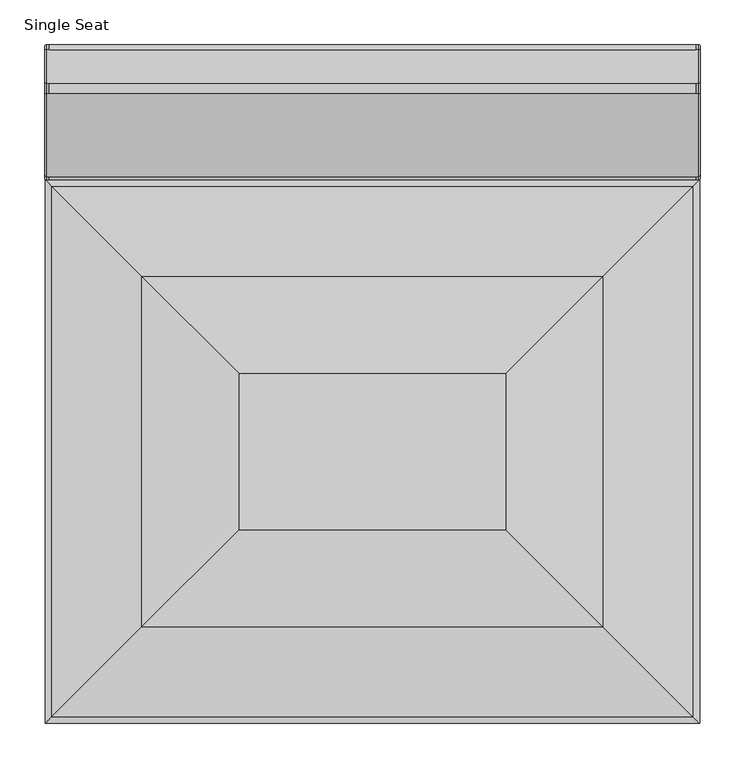
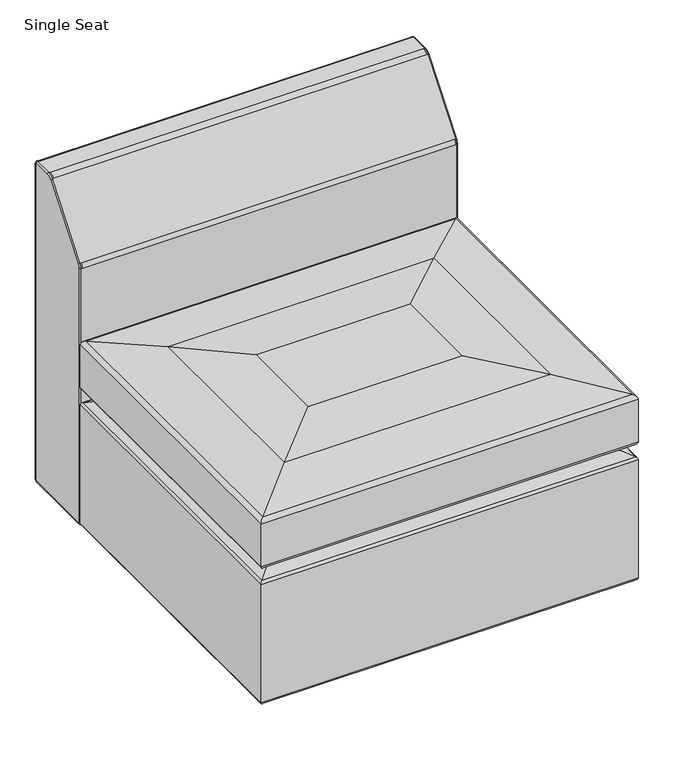
"""IFC4 building model written with IfcOpenShell, lengths in millimetres: furniture geometry, Single Seat."""

from ifc_helpers import new_model, si_unit, point, frame, frame_2d, origin, place, context, project, spatial, circle_curve, ellipse_curve, trimmed, segment, composite_curve, outline, extrude, source, transform, mapped, element, save
from ifc_brep_helpers import plane_surface, cylinder_surface, revolved_surface, advanced_brep


def single_seat_0da1986b(model_context):
    return source(origin(), model_context, "Body", "SolidModel", [
        advanced_brep(
        [(626.8428669, -260.4240205, 453.4131645), (518.431279, -368.8356084, 464.0850014), (518.431279, -545.1224877, 464.0850014), (626.8428669, -653.5340756, 453.4131645), (727.8721138, -754.5633225, 438.3557235), (727.8721138, -159.3947737, 438.3557235), (735.2840858, -151.9828016, 342.2649823), (735.2840858, -151.9828016, 429.5618501), (735.2840858, -761.9752945, 429.5618501), (735.2840858, -761.9752945, 342.2649823), (676.3439698, -210.9229177, 323.8500013), (731.7019827, -155.5649047, 336.5499805), (731.7019827, -758.3931914, 336.5499805), (676.3439698, -703.0351785, 323.8500013), (731.9658273, -758.657036, 311.0218576), (731.9658273, -155.3010601, 311.0218576), (735.2840858, -151.9828016, 62.3613819), (735.2840858, -151.9828016, 305.7141908), (735.2840858, -761.9752945, 305.7141908), (735.2840858, -761.9752945, 62.3613819), (217.7927123, -545.1224877, 464.0850014), (109.3811244, -653.5340756, 453.4131645), (8.3518775, -754.5633225, 438.3557235), (0.9399055, -761.9752945, 429.5618501), (0.9399055, -761.9752945, 342.2649823), (4.5220086, -758.3931914, 336.5499805), (59.8800215, -703.0351785, 323.8500013), (4.258164, -758.657036, 311.0218576), (0.9399055, -761.9752945, 305.7141908), (0.9399055, -761.9752945, 62.3613819), (217.7927123, -368.8356084, 464.0850014), (109.3811244, -260.4240205, 453.4131645), (8.3518775, -159.3947737, 438.3557235), (0.9399055, -151.9828016, 429.5618501), (0.9399055, -151.9828016, 342.2649823), (4.5220086, -155.5649047, 336.5499805), (59.8800215, -210.9229177, 323.8500013), (4.258164, -155.3010601, 311.0218576), (0.9399055, -151.9828016, 305.7141908), (0.9399055, -151.9828016, 62.3613819), (730.0727039, -756.7639126, 57.15), (6.1512874, -756.7639126, 57.15), (6.1512874, -157.1941835, 57.15), (730.0727039, -157.1941835, 57.15)],
        [
            (0, 1, ellipse_curve(frame((379.6961151, -507.5707724, -1501.272968), z_axis=(0.7071067811865456, -0.7071067811865495, 0.0), x_axis=(0.7071067811865493, 0.7071067811865456, 0.0)), 2786.3522368, 1970.2485614)),
            (1, 2),
            (2, 3, ellipse_curve(frame((379.6961151, -406.3873237, -1501.272968), z_axis=(0.7071067811865492, 0.7071067811865457, 0.0), x_axis=(-0.7071067811865456, 0.7071067811865493, 0.0)), 2786.3522368, 1970.2485614)),
            (3, 0),
            (3, 4, ellipse_curve(frame((337.9858159, -364.6770246, -1831.1601411), z_axis=(0.7071067811865492, 0.7071067811865457, 0.0), x_axis=(-0.7071067811865456, 0.7071067811865493, 0.0)), 3256.5974836, 2302.7621642)),
            (4, 5),
            (5, 0, ellipse_curve(frame((337.9858159, -549.2810715, -1831.1601411), z_axis=(0.7071067811865456, -0.7071067811865495, 0.0), x_axis=(0.7071067811865493, 0.7071067811865456, 0.0)), 3256.5974836, 2302.7621642)),
            (6, 7),
            (7, 8),
            (8, 9),
            (9, 6),
            (10, 11, ellipse_curve(frame((676.3439698, -210.9229177, 450.8501726), z_axis=(0.7071067811865468, -0.7071067811865481, 0.0), x_axis=(0.707106781186548, 0.7071067811865469, 0.0)), 179.6053648, 127.0001714)),
            (11, 12),
            (12, 13, ellipse_curve(frame((676.3439698, -703.0351785, 450.8501726), z_axis=(0.7071067811865481, 0.7071067811865468, 0.0), x_axis=(-0.7071067811865467, 0.7071067811865482, 0.0)), 179.6053648, 127.0001714)),
            (13, 10),
            (13, 14, ellipse_curve(frame((676.3439698, -703.0351785, 196.8498274), z_axis=(0.7071067811865481, 0.7071067811865468, 0.0), x_axis=(-0.7071067811865467, 0.7071067811865482, 0.0)), 179.6053648, 127.0001714)),
            (14, 15),
            (15, 10, ellipse_curve(frame((676.3439698, -210.9229177, 196.8498274), z_axis=(0.7071067811865468, -0.7071067811865481, 0.0), x_axis=(0.707106781186548, 0.7071067811865469, 0.0)), 179.6053648, 127.0001714)),
            (16, 17),
            (17, 18),
            (18, 19),
            (19, 16),
            (2, 20),
            (20, 21, ellipse_curve(frame((356.5278762, -406.3873237, -1501.272968), z_axis=(0.7071067811865469, -0.707106781186548, 0.0), x_axis=(0.7071067811865481, 0.7071067811865469, 0.0)), 2786.3522368, 1970.2485614)),
            (21, 3),
            (21, 22, ellipse_curve(frame((398.2381754, -364.6770246, -1831.1601411), z_axis=(0.7071067811865469, -0.707106781186548, 0.0), x_axis=(0.7071067811865481, 0.7071067811865469, 0.0)), 3256.5974836, 2302.7621642)),
            (22, 4),
            (8, 23),
            (23, 24),
            (24, 9),
            (12, 25),
            (25, 26, ellipse_curve(frame((59.8800215, -703.0351785, 450.8501726), z_axis=(0.707106781186548, -0.7071067811865469, 0.0), x_axis=(0.707106781186547, 0.7071067811865479, 0.0)), 179.6053648, 127.0001714)),
            (26, 13),
            (26, 27, ellipse_curve(frame((59.8800215, -703.0351785, 196.8498274), z_axis=(0.707106781186548, -0.7071067811865469, 0.0), x_axis=(0.707106781186547, 0.7071067811865479, 0.0)), 179.6053648, 127.0001714)),
            (27, 14),
            (18, 28),
            (28, 29),
            (29, 19),
            (20, 30),
            (30, 31, ellipse_curve(frame((356.5278762, -507.5707724, -1501.272968), z_axis=(-0.7071067811865481, -0.7071067811865469, 0.0), x_axis=(0.7071067811865468, -0.7071067811865482, 0.0)), 2786.3522368, 1970.2485614)),
            (31, 21),
            (31, 32, ellipse_curve(frame((398.2381754, -549.2810715, -1831.1601411), z_axis=(-0.7071067811865481, -0.7071067811865469, 0.0), x_axis=(0.7071067811865468, -0.7071067811865482, 0.0)), 3256.5974836, 2302.7621642)),
            (32, 22),
            (23, 33),
            (33, 34),
            (34, 24),
            (25, 35),
            (35, 36, ellipse_curve(frame((59.8800215, -210.9229177, 450.8501726), z_axis=(-0.707106781186547, -0.7071067811865481, 0.0), x_axis=(0.7071067811865482, -0.7071067811865468, 0.0)), 179.6053648, 127.0001714)),
            (36, 26),
            (36, 37, ellipse_curve(frame((59.8800215, -210.9229177, 196.8498274), z_axis=(-0.707106781186547, -0.7071067811865481, 0.0), x_axis=(0.7071067811865482, -0.7071067811865468, 0.0)), 179.6053648, 127.0001714)),
            (37, 27),
            (28, 38),
            (38, 39),
            (39, 29),
            (0, 31),
            (30, 1),
            (5, 32),
            (6, 34),
            (33, 7),
            (10, 36),
            (35, 11),
            (15, 37),
            (16, 39),
            (38, 17),
            (40, 41),
            (41, 42),
            (42, 43),
            (43, 40),
            (4, 8, ellipse_curve(frame((726.3613904, -753.052599, 429.5618501), z_axis=(0.7071067811865492, 0.7071067811865457, 0.0), x_axis=(-0.7071067811865456, 0.7071067811865493, 0.0)), 12.6185969, 8.9226954)),
            (7, 5, ellipse_curve(frame((726.3613904, -160.9054971, 429.5618501), z_axis=(0.7071067811865456, -0.7071067811865495, 0.0), x_axis=(0.7071067811865493, 0.7071067811865456, 0.0)), 12.6185969, 8.9226954)),
            (9, 12, ellipse_curve(frame((728.9340858, -755.6252945, 342.2649823), z_axis=(0.7071067811865492, 0.7071067811865457, 0.0), x_axis=(-0.7071067811865456, 0.7071067811865493, 0.0)), 8.9802561, 6.35)),
            (11, 6, ellipse_curve(frame((728.9340858, -158.3328016, 342.2649823), z_axis=(0.7071067811865456, -0.7071067811865495, 0.0), x_axis=(0.7071067811865493, 0.7071067811865456, 0.0)), 8.9802561, 6.35)),
            (14, 18, ellipse_curve(frame((729.3800601, -756.0712688, 305.7141908), z_axis=(0.7071067811865492, 0.7071067811865457, 0.0), x_axis=(-0.7071067811865456, 0.7071067811865493, 0.0)), 8.3495532, 5.9040257)),
            (17, 15, ellipse_curve(frame((729.3800601, -157.8868273, 305.7141908), z_axis=(0.7071067811865456, -0.7071067811865495, 0.0), x_axis=(0.7071067811865493, 0.7071067811865456, 0.0)), 8.3495532, 5.9040257)),
            (19, 40, ellipse_curve(frame((730.0727039, -756.7639126, 62.3613819), z_axis=(0.7071067811865492, 0.7071067811865457, 0.0), x_axis=(-0.7071067811865456, 0.7071067811865493, 0.0)), 7.370007, 5.2113819)),
            (43, 16, ellipse_curve(frame((730.0727039, -157.1941835, 62.3613819), z_axis=(0.7071067811865456, -0.7071067811865495, 0.0), x_axis=(0.7071067811865493, 0.7071067811865456, 0.0)), 7.370007, 5.2113819)),
            (22, 23, ellipse_curve(frame((9.8626009, -753.052599, 429.5618501), z_axis=(0.7071067811865469, -0.707106781186548, 0.0), x_axis=(0.7071067811865481, 0.7071067811865469, 0.0)), 12.6185969, 8.9226954)),
            (24, 25, ellipse_curve(frame((7.2899055, -755.6252945, 342.2649823), z_axis=(0.7071067811865469, -0.707106781186548, 0.0), x_axis=(0.7071067811865481, 0.7071067811865469, 0.0)), 8.9802561, 6.35)),
            (27, 28, ellipse_curve(frame((6.8439312, -756.0712688, 305.7141908), z_axis=(0.7071067811865469, -0.707106781186548, 0.0), x_axis=(0.7071067811865481, 0.7071067811865469, 0.0)), 8.3495532, 5.9040257)),
            (29, 41, ellipse_curve(frame((6.1512874, -756.7639126, 62.3613819), z_axis=(0.7071067811865469, -0.707106781186548, 0.0), x_axis=(0.7071067811865481, 0.7071067811865469, 0.0)), 7.370007, 5.2113819)),
            (32, 33, ellipse_curve(frame((9.8626009, -160.9054971, 429.5618501), z_axis=(-0.7071067811865481, -0.7071067811865469, 0.0), x_axis=(0.7071067811865468, -0.7071067811865482, 0.0)), 12.6185969, 8.9226954)),
            (34, 35, ellipse_curve(frame((7.2899055, -158.3328016, 342.2649823), z_axis=(-0.7071067811865481, -0.7071067811865469, 0.0), x_axis=(0.7071067811865468, -0.7071067811865482, 0.0)), 8.9802561, 6.35)),
            (37, 38, ellipse_curve(frame((6.8439312, -157.8868273, 305.7141908), z_axis=(-0.7071067811865481, -0.7071067811865469, 0.0), x_axis=(0.7071067811865468, -0.7071067811865482, 0.0)), 8.3495532, 5.9040257)),
            (39, 42, ellipse_curve(frame((6.1512874, -157.1941835, 62.3613819), z_axis=(-0.7071067811865481, -0.7071067811865469, 0.0), x_axis=(0.7071067811865468, -0.7071067811865482, 0.0)), 7.370007, 5.2113819)),
        ],
        [
            cylinder_surface(frame((379.6961151, -368.8356084, -1501.272968), z_axis=(0.0, 1.0, 0.0), x_axis=(-1.0, 0.0, 0.0)), 1970.2485614),
            cylinder_surface(frame((337.9858159, -368.8356084, -1831.1601411), z_axis=(0.0, 1.0, 0.0), x_axis=(-1.0, 0.0, 0.0)), 2302.7621642),
            plane_surface(frame((735.2840858, -151.9828016, 429.5618501), z_axis=(1.0, 0.0, 0.0), x_axis=(0.0, -1.0, 0.0))),
            cylinder_surface(frame((676.3439698, -368.8356084, 450.8501726), z_axis=(0.0, 1.0, 0.0), x_axis=(-1.0, 0.0, 0.0)), 127.0001714),
            cylinder_surface(frame((676.3439698, -368.8356084, 196.8498274), z_axis=(0.0, 1.0, 0.0), x_axis=(-1.0, 0.0, 0.0)), 127.0001714),
            plane_surface(frame((735.2840858, -151.9828016, 305.7141908), z_axis=(1.0, 0.0, 0.0), x_axis=(0.0, -1.0, 0.0))),
            cylinder_surface(frame((518.431279, -406.3873237, -1501.272968), z_axis=(1.0, 0.0, 0.0), x_axis=(0.0, 1.0, 0.0)), 1970.2485614),
            cylinder_surface(frame((518.431279, -364.6770246, -1831.1601411), z_axis=(1.0, 0.0, 0.0), x_axis=(0.0, 1.0, 0.0)), 2302.7621642),
            plane_surface(frame((735.2840858, -761.9752945, 429.5618501), z_axis=(0.0, -1.0, 0.0), x_axis=(-1.0, 0.0, 0.0))),
            cylinder_surface(frame((518.431279, -703.0351785, 450.8501726), z_axis=(1.0, 0.0, 0.0), x_axis=(0.0, 1.0, 0.0)), 127.0001714),
            cylinder_surface(frame((518.431279, -703.0351785, 196.8498274), z_axis=(1.0, 0.0, 0.0), x_axis=(0.0, 1.0, 0.0)), 127.0001714),
            plane_surface(frame((735.2840858, -761.9752945, 305.7141908), z_axis=(0.0, -1.0, 0.0), x_axis=(-1.0, 0.0, 0.0))),
            cylinder_surface(frame((356.5278762, -545.1224877, -1501.272968), z_axis=(0.0, -1.0, 0.0), x_axis=(1.0, 0.0, 0.0)), 1970.2485614),
            cylinder_surface(frame((398.2381754, -545.1224877, -1831.1601411), z_axis=(0.0, -1.0, 0.0), x_axis=(1.0, 0.0, 0.0)), 2302.7621642),
            plane_surface(frame((0.9399055, -761.9752945, 429.5618501), z_axis=(-1.0, 0.0, 0.0), x_axis=(0.0, 1.0, 0.0))),
            cylinder_surface(frame((59.8800215, -545.1224877, 450.8501726), z_axis=(0.0, -1.0, 0.0), x_axis=(1.0, 0.0, 0.0)), 127.0001714),
            cylinder_surface(frame((59.8800215, -545.1224877, 196.8498274), z_axis=(0.0, -1.0, 0.0), x_axis=(1.0, 0.0, 0.0)), 127.0001714),
            plane_surface(frame((0.9399055, -761.9752945, 305.7141908), z_axis=(-1.0, 0.0, 0.0), x_axis=(0.0, 1.0, 0.0))),
            cylinder_surface(frame((217.7927123, -507.5707724, -1501.272968), z_axis=(-1.0, 0.0, 0.0), x_axis=(0.0, -1.0, 0.0)), 1970.2485614),
            cylinder_surface(frame((217.7927123, -549.2810715, -1831.1601411), z_axis=(-1.0, 0.0, 0.0), x_axis=(0.0, -1.0, 0.0)), 2302.7621642),
            plane_surface(frame((0.9399055, -151.9828016, 429.5618501), z_axis=(0.0, 1.0, 0.0), x_axis=(1.0, 0.0, 0.0))),
            cylinder_surface(frame((217.7927123, -210.9229177, 450.8501726), z_axis=(-1.0, 0.0, 0.0), x_axis=(0.0, -1.0, 0.0)), 127.0001714),
            cylinder_surface(frame((217.7927123, -210.9229177, 196.8498274), z_axis=(-1.0, 0.0, 0.0), x_axis=(0.0, -1.0, 0.0)), 127.0001714),
            plane_surface(frame((0.9399055, -151.9828016, 305.7141908), z_axis=(0.0, 1.0, 0.0), x_axis=(1.0, 0.0, 0.0))),
            plane_surface(frame((6.1512874, -157.1941835, 57.15), z_axis=(0.0, 0.0, -1.0), x_axis=(1.0, 0.0, 0.0))),
            cylinder_surface(frame((726.3613904, -368.8356084, 429.5618501), z_axis=(0.0, 1.0, 0.0), x_axis=(1.0, 0.0, 0.0)), 8.9226954),
            cylinder_surface(frame((728.9340858, -368.8356084, 342.2649823), z_axis=(0.0, 1.0, 0.0), x_axis=(1.0, 0.0, 0.0)), 6.35),
            cylinder_surface(frame((729.3800601, -368.8356084, 305.7141908), z_axis=(0.0, 1.0, 0.0), x_axis=(1.0, 0.0, 0.0)), 5.9040257),
            cylinder_surface(frame((730.0727039, -368.8356084, 62.3613819), z_axis=(0.0, 1.0, 0.0), x_axis=(1.0, 0.0, 0.0)), 5.2113819),
            cylinder_surface(frame((518.431279, -753.052599, 429.5618501), z_axis=(1.0, 0.0, 0.0), x_axis=(0.0, -1.0, 0.0)), 8.9226954),
            cylinder_surface(frame((518.431279, -755.6252945, 342.2649823), z_axis=(1.0, 0.0, 0.0), x_axis=(0.0, -1.0, 0.0)), 6.35),
            cylinder_surface(frame((518.431279, -756.0712688, 305.7141908), z_axis=(1.0, 0.0, 0.0), x_axis=(0.0, -1.0, 0.0)), 5.9040257),
            cylinder_surface(frame((518.431279, -756.7639126, 62.3613819), z_axis=(1.0, 0.0, 0.0), x_axis=(0.0, -1.0, 0.0)), 5.2113819),
            cylinder_surface(frame((9.8626009, -545.1224877, 429.5618501), z_axis=(0.0, -1.0, 0.0), x_axis=(-1.0, 0.0, 0.0)), 8.9226954),
            cylinder_surface(frame((7.2899055, -545.1224877, 342.2649823), z_axis=(0.0, -1.0, 0.0), x_axis=(-1.0, 0.0, 0.0)), 6.35),
            cylinder_surface(frame((6.8439312, -545.1224877, 305.7141908), z_axis=(0.0, -1.0, 0.0), x_axis=(-1.0, 0.0, 0.0)), 5.9040257),
            cylinder_surface(frame((6.1512874, -545.1224877, 62.3613819), z_axis=(0.0, -1.0, 0.0), x_axis=(-1.0, 0.0, 0.0)), 5.2113819),
            cylinder_surface(frame((217.7927123, -160.9054971, 429.5618501), z_axis=(-1.0, 0.0, 0.0), x_axis=(0.0, 1.0, 0.0)), 8.9226954),
            cylinder_surface(frame((217.7927123, -158.3328016, 342.2649823), z_axis=(-1.0, 0.0, 0.0), x_axis=(0.0, 1.0, 0.0)), 6.35),
            cylinder_surface(frame((217.7927123, -157.8868273, 305.7141908), z_axis=(-1.0, 0.0, 0.0), x_axis=(0.0, 1.0, 0.0)), 5.9040257),
            cylinder_surface(frame((217.7927123, -157.1941835, 62.3613819), z_axis=(-1.0, 0.0, 0.0), x_axis=(0.0, 1.0, 0.0)), 5.2113819),
            plane_surface(frame((518.431279, -368.8356084, 464.0850014), z_axis=(0.0, 0.0, 1.0), x_axis=(-1.0, 0.0, 0.0))),
        ],
        [
            (0, [[1, 2, 3, 4]]),
            (1, [[-4, 5, 6, 7]]),
            (2, [[8, 9, 10, 11]]),
            (3, [[12, 13, 14, 15]]),
            (4, [[-15, 16, 17, 18]]),
            (5, [[19, 20, 21, 22]]),
            (6, [[-3, 23, 24, 25]]),
            (7, [[-5, -25, 26, 27]]),
            (8, [[-10, 28, 29, 30]]),
            (9, [[-14, 31, 32, 33]]),
            (10, [[-16, -33, 34, 35]]),
            (11, [[-21, 36, 37, 38]]),
            (12, [[-24, 39, 40, 41]]),
            (13, [[-26, -41, 42, 43]]),
            (14, [[-29, 44, 45, 46]]),
            (15, [[-32, 47, 48, 49]]),
            (16, [[-34, -49, 50, 51]]),
            (17, [[-37, 52, 53, 54]]),
            (18, [[-1, 55, -40, 56]]),
            (19, [[-7, 57, -42, -55]]),
            (20, [[-8, 58, -45, 59]]),
            (21, [[-12, 60, -48, 61]]),
            (22, [[-18, 62, -50, -60]]),
            (23, [[-19, 63, -53, 64]]),
            (24, [[65, 66, 67, 68]]),
            (25, [[-6, 69, -9, 70]]),
            (26, [[-11, 71, -13, 72]]),
            (27, [[-17, 73, -20, 74]]),
            (28, [[-22, 75, -68, 76]]),
            (29, [[-27, 77, -28, -69]]),
            (30, [[-30, 78, -31, -71]]),
            (31, [[-35, 79, -36, -73]]),
            (32, [[-38, 80, -65, -75]]),
            (33, [[-43, 81, -44, -77]]),
            (34, [[-46, 82, -47, -78]]),
            (35, [[-51, 83, -52, -79]]),
            (36, [[-54, 84, -66, -80]]),
            (37, [[-57, -70, -59, -81]]),
            (38, [[-58, -72, -61, -82]]),
            (39, [[-62, -74, -64, -83]]),
            (40, [[-63, -76, -67, -84]]),
            (41, [[-2, -56, -39, -23]]),
        ],
    ),
        advanced_brep(
        [(731.1254989, -5.6048682, 57.15), (5.08, -5.6048682, 57.15), (5.08, 0.0, 62.7548682), (731.1254989, 0.0, 62.7548682), (2.54, 0.0, 62.7548682), (2.54, 0.0, 711.4501537), (5.08, 0.0, 711.4501537), (731.1254989, 0.0, 711.4501537), (733.6654989, 0.0, 711.4501537), (733.6654989, 0.0, 62.7548682), (5.08, -5.8524777, 717.3026314), (731.1254989, -5.8524777, 717.3026314), (2.54, -5.8524777, 717.3026314), (2.54, -43.3160985, 717.3026314), (5.08, -43.3160985, 717.3026314), (731.1254989, -43.3160985, 717.3026314), (733.6654989, -43.3160985, 717.3026314), (733.6654989, -5.8524777, 717.3026314), (731.1254989, -55.4553847, 711.4587472), (5.08, -55.4553847, 711.4587472), (2.54, -55.4553847, 711.4587472), (2.54, -148.616264, 594.7056004), (5.08, -148.616264, 594.7056004), (731.1254989, -148.616264, 594.7056004), (733.6654989, -148.616264, 594.7056004), (733.6654989, -55.4553847, 711.4587472), (5.08, -151.9828016, 585.0888963), (731.1254989, -151.9828016, 585.0888963), (2.54, -151.9828016, 585.0888963), (2.54, -151.9828016, 62.7548682), (5.08, -151.9828016, 62.7548682), (731.1254989, -151.9828016, 62.7548682), (733.6654989, -151.9828016, 62.7548682), (733.6654989, -151.9828016, 585.0888963), (5.08, -146.3779334, 57.15), (731.1254989, -146.3779334, 57.15), (733.6654989, -5.6048682, 57.15), (733.6654989, -146.3779334, 57.15), (2.54, -146.3779334, 57.15), (2.54, -5.6048682, 57.15), (0.0, -43.3160985, 714.7626314), (0.0, -53.4699751, 709.8745286), (0.0, -5.8524777, 714.7626314), (0.0, -2.54, 711.4501537), (0.0, -2.54, 62.7548682), (0.0, -5.6048682, 59.69), (0.0, -146.3779334, 59.69), (0.0, -149.4428016, 62.7548682), (0.0, -149.4428016, 585.0888963), (0.0, -146.6308544, 593.1213818), (736.2054989, -53.4699751, 709.8745286), (736.2054989, -43.3160985, 714.7626314), (736.2054989, -5.8524777, 714.7626314), (736.2054989, -2.54, 711.4501537), (736.2054989, -2.54, 62.7548682), (736.2054989, -5.6048682, 59.69), (736.2054989, -146.3779334, 59.69), (736.2054989, -149.4428016, 62.7548682), (736.2054989, -149.4428016, 585.0888963), (736.2054989, -146.6308544, 593.1213818)],
        [
            (0, 1),
            (1, 2, circle_curve(frame((5.08, -5.6048682, 62.7548682), z_axis=(1.0, 0.0, 0.0), x_axis=(0.0, 0.0, -1.0)), 5.6048682)),
            (2, 3),
            (3, 0, circle_curve(frame((731.1254989, -5.6048682, 62.7548682), z_axis=(-1.0, 0.0, 0.0), x_axis=(0.0, 0.0, -1.0)), 5.6048682)),
            (2, 4),
            (4, 5),
            (5, 6),
            (6, 7),
            (7, 8),
            (8, 9),
            (9, 3),
            (6, 10, circle_curve(frame((5.08, -5.8524777, 711.4501537), z_axis=(1.0, 0.0, 0.0), x_axis=(0.0, 1.0, 0.0)), 5.8524777)),
            (10, 11),
            (11, 7, circle_curve(frame((731.1254989, -5.8524777, 711.4501537), z_axis=(-1.0, 0.0, 0.0), x_axis=(0.0, 1.0, 0.0)), 5.8524777)),
            (10, 12),
            (12, 13),
            (13, 14),
            (14, 15),
            (15, 16),
            (16, 17),
            (17, 11),
            (18, 19),
            (19, 20),
            (20, 21),
            (21, 22),
            (22, 23),
            (23, 24),
            (24, 25),
            (25, 18),
            (22, 26, circle_curve(frame((5.08, -136.5642044, 585.0888963), z_axis=(1.0, 0.0, 0.0), x_axis=(0.0, 1.0, 0.0)), 15.4185972)),
            (26, 27),
            (27, 23, circle_curve(frame((731.1254989, -136.5642044, 585.0888963), z_axis=(-1.0, 0.0, 0.0), x_axis=(0.0, 1.0, 0.0)), 15.4185972)),
            (26, 28),
            (28, 29),
            (29, 30),
            (30, 31),
            (31, 32),
            (32, 33),
            (33, 27),
            (30, 34, circle_curve(frame((5.08, -146.3779334, 62.7548682), z_axis=(1.0, 0.0, 0.0), x_axis=(0.0, 0.0, -1.0)), 5.6048682)),
            (34, 35),
            (35, 31, circle_curve(frame((731.1254989, -146.3779334, 62.7548682), z_axis=(-1.0, 0.0, 0.0), x_axis=(0.0, 0.0, -1.0)), 5.6048682)),
            (0, 36),
            (36, 37),
            (37, 35),
            (34, 38),
            (38, 39),
            (39, 1),
            (14, 19, circle_curve(frame((5.08, -43.3160985, 701.7724424), z_axis=(1.0, 0.0, 0.0), x_axis=(0.0, 1.0, 0.0)), 15.530189)),
            (18, 15, circle_curve(frame((731.1254989, -43.3160985, 701.7724424), z_axis=(-1.0, 0.0, 0.0), x_axis=(0.0, 1.0, 0.0)), 15.530189)),
            (13, 20, circle_curve(frame((2.54, -43.3160985, 701.7724424), z_axis=(1.0, 0.0, 0.0), x_axis=(0.0, -0.7816573360306504, 0.6237081120439808)), 15.530189)),
            (13, 40, circle_curve(frame((2.54, -43.3160985, 714.7626314), z_axis=(0.0, -1.0, 0.0), x_axis=(0.0, 0.0, 1.0)), 2.54)),
            (40, 41, circle_curve(frame((0.0, -43.3160985, 701.7724424), z_axis=(1.0, 0.0, 0.0), x_axis=(0.0, -0.7816573360306504, 0.6237081120439808)), 12.990189)),
            (41, 20, circle_curve(frame((2.54, -53.4699751, 709.8745286), z_axis=(0.0, 0.6237081120439808, 0.7816573360306504), x_axis=(0.0, -0.7816573360306504, 0.6237081120439808)), 2.54)),
            (12, 42, circle_curve(frame((2.54, -5.8524777, 714.7626314), z_axis=(0.0, -1.0, 0.0), x_axis=(0.0, 0.0, 1.0)), 2.54)),
            (42, 40),
            (5, 12, circle_curve(frame((2.54, -5.8524777, 711.4501537), z_axis=(1.0, 0.0, 0.0), x_axis=(0.0, 0.0, 1.0)), 5.8524777)),
            (5, 43, circle_curve(frame((2.54, -2.54, 711.4501537), z_axis=(0.0, 0.0, 1.0), x_axis=(0.0, 1.0, 0.0)), 2.54)),
            (43, 42, circle_curve(frame((0.0, -5.8524777, 711.4501537), z_axis=(1.0, 0.0, 0.0), x_axis=(0.0, 0.0, 1.0)), 3.3124777)),
            (4, 44, circle_curve(frame((2.54, -2.54, 62.7548682), z_axis=(0.0, 0.0, 1.0), x_axis=(0.0, 1.0, 0.0)), 2.54)),
            (44, 43),
            (39, 4, circle_curve(frame((2.54, -5.6048682, 62.7548682), z_axis=(1.0, 0.0, 0.0), x_axis=(0.0, 1.0, 0.0)), 5.6048682)),
            (39, 45, circle_curve(frame((2.54, -5.6048682, 59.69), z_axis=(0.0, 1.0, 0.0), x_axis=(0.0, 0.0, -1.0)), 2.54)),
            (45, 44, circle_curve(frame((0.0, -5.6048682, 62.7548682), z_axis=(1.0, 0.0, 0.0), x_axis=(0.0, 1.0, 0.0)), 3.0648682)),
            (38, 46, circle_curve(frame((2.54, -146.3779334, 59.69), z_axis=(0.0, 1.0, 0.0), x_axis=(0.0, 0.0, -1.0)), 2.54)),
            (46, 45),
            (29, 38, circle_curve(frame((2.54, -146.3779334, 62.7548682), z_axis=(1.0, 0.0, 0.0), x_axis=(0.0, 0.0, -1.0)), 5.6048682)),
            (29, 47, circle_curve(frame((2.54, -149.4428016, 62.7548682), z_axis=(0.0, 0.0, -1.0), x_axis=(0.0, -1.0, 0.0)), 2.54)),
            (47, 46, circle_curve(frame((0.0, -146.3779334, 62.7548682), z_axis=(1.0, 0.0, 0.0), x_axis=(0.0, 0.0, -1.0)), 3.0648682)),
            (28, 48, circle_curve(frame((2.54, -149.4428016, 585.0888963), z_axis=(0.0, 0.0, -1.0), x_axis=(0.0, -1.0, 0.0)), 2.54)),
            (48, 47),
            (21, 28, circle_curve(frame((2.54, -136.5642044, 585.0888963), z_axis=(1.0, 0.0, 0.0), x_axis=(0.0, -1.0, 0.0)), 15.4185972)),
            (21, 49, circle_curve(frame((2.54, -146.6308544, 593.1213818), z_axis=(0.0, -0.6237081120439788, -0.781657336030652), x_axis=(0.0, -0.781657336030652, 0.6237081120439788)), 2.54)),
            (49, 48, circle_curve(frame((0.0, -136.5642044, 585.0888963), z_axis=(1.0, 0.0, 0.0), x_axis=(0.0, -1.0, 0.0)), 12.8785972)),
            (49, 41),
            (25, 16, circle_curve(frame((733.6654989, -43.3160985, 701.7724424), z_axis=(-1.0, 0.0, 0.0), x_axis=(0.0, -0.7816573360306504, 0.6237081120439808)), 15.530189)),
            (25, 50, circle_curve(frame((733.6654989, -53.4699751, 709.8745286), z_axis=(0.0, 0.6237081120439808, 0.7816573360306504), x_axis=(0.0, -0.7816573360306504, 0.6237081120439808)), 2.54)),
            (50, 51, circle_curve(frame((736.2054989, -43.3160985, 701.7724424), z_axis=(-1.0, 0.0, 0.0), x_axis=(0.0, -0.7816573360306504, 0.6237081120439808)), 12.990189)),
            (51, 16, circle_curve(frame((733.6654989, -43.3160985, 714.7626314), z_axis=(0.0, -1.0, 0.0), x_axis=(0.0, 0.0, 1.0)), 2.54)),
            (51, 52),
            (52, 17, circle_curve(frame((733.6654989, -5.8524777, 714.7626314), z_axis=(0.0, -1.0, 0.0), x_axis=(0.0, 0.0, 1.0)), 2.54)),
            (17, 8, circle_curve(frame((733.6654989, -5.8524777, 711.4501537), z_axis=(-1.0, 0.0, 0.0), x_axis=(0.0, 0.0, 1.0)), 5.8524777)),
            (52, 53, circle_curve(frame((736.2054989, -5.8524777, 711.4501537), z_axis=(-1.0, 0.0, 0.0), x_axis=(0.0, 0.0, 1.0)), 3.3124777)),
            (53, 8, circle_curve(frame((733.6654989, -2.54, 711.4501537), z_axis=(0.0, 0.0, 1.0), x_axis=(0.0, 1.0, 0.0)), 2.54)),
            (53, 54),
            (54, 9, circle_curve(frame((733.6654989, -2.54, 62.7548682), z_axis=(0.0, 0.0, 1.0), x_axis=(0.0, 1.0, 0.0)), 2.54)),
            (9, 36, circle_curve(frame((733.6654989, -5.6048682, 62.7548682), z_axis=(-1.0, 0.0, 0.0), x_axis=(0.0, 1.0, 0.0)), 5.6048682)),
            (54, 55, circle_curve(frame((736.2054989, -5.6048682, 62.7548682), z_axis=(-1.0, 0.0, 0.0), x_axis=(0.0, 1.0, 0.0)), 3.0648682)),
            (55, 36, circle_curve(frame((733.6654989, -5.6048682, 59.69), z_axis=(0.0, 1.0, 0.0), x_axis=(0.0, 0.0, -1.0)), 2.54)),
            (55, 56),
            (56, 37, circle_curve(frame((733.6654989, -146.3779334, 59.69), z_axis=(0.0, 1.0, 0.0), x_axis=(0.0, 0.0, -1.0)), 2.54)),
            (37, 32, circle_curve(frame((733.6654989, -146.3779334, 62.7548682), z_axis=(-1.0, 0.0, 0.0), x_axis=(0.0, 0.0, -1.0)), 5.6048682)),
            (56, 57, circle_curve(frame((736.2054989, -146.3779334, 62.7548682), z_axis=(-1.0, 0.0, 0.0), x_axis=(0.0, 0.0, -1.0)), 3.0648682)),
            (57, 32, circle_curve(frame((733.6654989, -149.4428016, 62.7548682), z_axis=(0.0, 0.0, -1.0), x_axis=(0.0, -1.0, 0.0)), 2.54)),
            (57, 58),
            (58, 33, circle_curve(frame((733.6654989, -149.4428016, 585.0888963), z_axis=(0.0, 0.0, -1.0), x_axis=(0.0, -1.0, 0.0)), 2.54)),
            (33, 24, circle_curve(frame((733.6654989, -136.5642044, 585.0888963), z_axis=(-1.0, 0.0, 0.0), x_axis=(0.0, -1.0, 0.0)), 15.4185972)),
            (58, 59, circle_curve(frame((736.2054989, -136.5642044, 585.0888963), z_axis=(-1.0, 0.0, 0.0), x_axis=(0.0, -1.0, 0.0)), 12.8785972)),
            (59, 24, circle_curve(frame((733.6654989, -146.6308544, 593.1213818), z_axis=(0.0, -0.623708112043981, -0.7816573360306502), x_axis=(0.0, -0.7816573360306502, 0.623708112043981)), 2.54)),
            (50, 59),
        ],
        [
            cylinder_surface(frame((5.08, -5.6048682, 62.7548682), z_axis=(1.0, 0.0, 0.0), x_axis=(0.0, 0.0, -1.0)), 5.6048682),
            plane_surface(frame((731.1254989, 0.0, 62.7548682), z_axis=(0.0, 1.0, 0.0), x_axis=(-1.0, 0.0, 0.0))),
            cylinder_surface(frame((5.08, -5.8524777, 711.4501537), z_axis=(1.0, 0.0, 0.0), x_axis=(0.0, 1.0, 0.0)), 5.8524777),
            plane_surface(frame((731.1254989, -5.8524777, 717.3026314), z_axis=(0.0, 0.0, 1.0), x_axis=(-1.0, 0.0, 0.0))),
            plane_surface(frame((731.1254989, -55.4553847, 711.4587472), z_axis=(0.0, -0.7816573360306446, 0.623708112043988), x_axis=(-1.0, 0.0, 0.0))),
            cylinder_surface(frame((5.08, -136.5642044, 585.0888963), z_axis=(1.0, 0.0, 0.0), x_axis=(0.0, 1.0, 0.0)), 15.4185972),
            plane_surface(frame((731.1254989, -151.9828016, 585.0888963), z_axis=(0.0, -1.0, 0.0), x_axis=(-1.0, 0.0, 0.0))),
            cylinder_surface(frame((5.08, -146.3779334, 62.7548682), z_axis=(1.0, 0.0, 0.0), x_axis=(0.0, 0.0, -1.0)), 5.6048682),
            plane_surface(frame((731.1254989, -146.3779334, 57.15), z_axis=(0.0, 0.0, -1.0), x_axis=(-1.0, 0.0, 0.0))),
            cylinder_surface(frame((5.08, -43.3160985, 701.7724424), z_axis=(1.0, 0.0, 0.0), x_axis=(0.0, 1.0, 0.0)), 15.530189),
            cylinder_surface(frame((2.54, -43.3160985, 701.7724424), z_axis=(-1.0, 0.0, 0.0), x_axis=(0.0, -0.7816573360306504, 0.6237081120439808)), 15.530189),
            revolved_surface(trimmed(ellipse_curve(frame((2.54, -53.4699751, 709.8745286), z_axis=(0.0, -0.6237081120439808, -0.7816573360306504), x_axis=(0.0, -0.7816573360306504, 0.6237081120439808)), 2.54, 2.54), [point((2.54, -55.4553847, 711.4587472))], [point((0.0, -53.4699751, 709.8745286))], True, "CARTESIAN"), (2.54, -43.3160985, 701.7724424), (-1.0, 0.0, 0.0)),
            cylinder_surface(frame((2.54, -43.3160985, 714.7626314), z_axis=(0.0, -1.0, 0.0), x_axis=(0.0, 0.0, 1.0)), 2.54),
            cylinder_surface(frame((2.54, -5.8524777, 711.4501537), z_axis=(-1.0, 0.0, 0.0), x_axis=(0.0, 0.0, 1.0)), 5.8524777),
            revolved_surface(trimmed(ellipse_curve(frame((2.54, -5.8524777, 714.7626314), z_axis=(0.0, -1.0, 0.0), x_axis=(0.0, 0.0, 1.0)), 2.54, 2.54), [point((2.54, -5.8524777, 717.3026314))], [point((0.0, -5.8524777, 714.7626314))], True, "CARTESIAN"), (2.54, -5.8524777, 711.4501537), (-1.0, 0.0, 0.0)),
            cylinder_surface(frame((2.54, -2.54, 711.4501537), z_axis=(0.0, 0.0, 1.0), x_axis=(0.0, 1.0, 0.0)), 2.54),
            cylinder_surface(frame((2.54, -5.6048682, 62.7548682), z_axis=(-1.0, 0.0, 0.0), x_axis=(0.0, 1.0, 0.0)), 5.6048682),
            revolved_surface(trimmed(ellipse_curve(frame((2.54, -2.54, 62.7548682), z_axis=(0.0, 0.0, 1.0), x_axis=(0.0, 1.0, 0.0)), 2.54, 2.54), [point((2.54, 0.0, 62.7548682))], [point((0.0, -2.54, 62.7548682))], True, "CARTESIAN"), (2.54, -5.6048682, 62.7548682), (-1.0, 0.0, 0.0)),
            cylinder_surface(frame((2.54, -5.6048682, 59.69), z_axis=(0.0, 1.0, 0.0), x_axis=(0.0, 0.0, -1.0)), 2.54),
            cylinder_surface(frame((2.54, -146.3779334, 62.7548682), z_axis=(-1.0, 0.0, 0.0), x_axis=(0.0, 0.0, -1.0)), 5.6048682),
            revolved_surface(trimmed(ellipse_curve(frame((2.54, -146.3779334, 59.69), z_axis=(0.0, 1.0, 0.0), x_axis=(0.0, 0.0, -1.0)), 2.54, 2.54), [point((2.54, -146.3779334, 57.15))], [point((0.0, -146.3779334, 59.69))], True, "CARTESIAN"), (2.54, -146.3779334, 62.7548682), (-1.0, 0.0, 0.0)),
            cylinder_surface(frame((2.54, -149.4428016, 62.7548682), z_axis=(0.0, 0.0, -1.0), x_axis=(0.0, -1.0, 0.0)), 2.54),
            cylinder_surface(frame((2.54, -136.5642044, 585.0888963), z_axis=(-1.0, 0.0, 0.0), x_axis=(0.0, -1.0, 0.0)), 15.4185972),
            revolved_surface(trimmed(ellipse_curve(frame((2.54, -149.4428016, 585.0888963), z_axis=(0.0, 0.0, -1.0), x_axis=(0.0, -1.0, 0.0)), 2.54, 2.54), [point((2.54, -151.9828016, 585.0888963))], [point((0.0, -149.4428016, 585.0888963))], True, "CARTESIAN"), (2.54, -136.5642044, 585.0888963), (-1.0, 0.0, 0.0)),
            plane_surface(frame((0.0, -146.6308544, 593.1213818), z_axis=(-1.0000000000000002, 0.0, 0.0), x_axis=(0.0, 0.6237081120439885, 0.7816573360306444))),
            cylinder_surface(frame((2.54, -146.6308544, 593.1213818), z_axis=(0.0, -0.6237081120439885, -0.7816573360306444), x_axis=(0.0, -0.7816573360306444, 0.6237081120439885)), 2.54),
            cylinder_surface(frame((733.6654989, -43.3160985, 701.7724424), z_axis=(-1.0, 0.0, 0.0), x_axis=(0.0, -0.7816573360306504, 0.6237081120439808)), 15.530189),
            revolved_surface(trimmed(ellipse_curve(frame((733.6654989, -53.4699751, 709.8745286), z_axis=(0.0, -0.6237081120439808, -0.7816573360306504), x_axis=(0.0, -0.7816573360306504, 0.6237081120439808)), 2.54, 2.54), [point((736.2054989, -53.4699751, 709.8745286))], [point((733.6654989, -55.4553847, 711.4587472))], True, "CARTESIAN"), (733.6654989, -43.3160985, 701.7724424), (-1.0, 0.0, 0.0)),
            cylinder_surface(frame((733.6654989, -43.3160985, 714.7626314), z_axis=(0.0, -1.0, 0.0), x_axis=(0.0, 0.0, 1.0)), 2.54),
            cylinder_surface(frame((733.6654989, -5.8524777, 711.4501537), z_axis=(-1.0, 0.0, 0.0), x_axis=(0.0, 0.0, 1.0)), 5.8524777),
            revolved_surface(trimmed(ellipse_curve(frame((733.6654989, -5.8524777, 714.7626314), z_axis=(0.0, -1.0, 0.0), x_axis=(0.0, 0.0, 1.0)), 2.54, 2.54), [point((736.2054989, -5.8524777, 714.7626314))], [point((733.6654989, -5.8524777, 717.3026314))], True, "CARTESIAN"), (733.6654989, -5.8524777, 711.4501537), (-1.0, 0.0, 0.0)),
            cylinder_surface(frame((733.6654989, -2.54, 711.4501537), z_axis=(0.0, 0.0, 1.0), x_axis=(0.0, 1.0, 0.0)), 2.54),
            cylinder_surface(frame((733.6654989, -5.6048682, 62.7548682), z_axis=(-1.0, 0.0, 0.0), x_axis=(0.0, 1.0, 0.0)), 5.6048682),
            revolved_surface(trimmed(ellipse_curve(frame((733.6654989, -2.54, 62.7548682), z_axis=(0.0, 0.0, 1.0), x_axis=(0.0, 1.0, 0.0)), 2.54, 2.54), [point((736.2054989, -2.54, 62.7548682))], [point((733.6654989, 0.0, 62.7548682))], True, "CARTESIAN"), (733.6654989, -5.6048682, 62.7548682), (-1.0, 0.0, 0.0)),
            cylinder_surface(frame((733.6654989, -5.6048682, 59.69), z_axis=(0.0, 1.0, 0.0), x_axis=(0.0, 0.0, -1.0)), 2.54),
            cylinder_surface(frame((733.6654989, -146.3779334, 62.7548682), z_axis=(-1.0, 0.0, 0.0), x_axis=(0.0, 0.0, -1.0)), 5.6048682),
            revolved_surface(trimmed(ellipse_curve(frame((733.6654989, -146.3779334, 59.69), z_axis=(0.0, 1.0, 0.0), x_axis=(0.0, 0.0, -1.0)), 2.54, 2.54), [point((736.2054989, -146.3779334, 59.69))], [point((733.6654989, -146.3779334, 57.15))], True, "CARTESIAN"), (733.6654989, -146.3779334, 62.7548682), (-1.0, 0.0, 0.0)),
            cylinder_surface(frame((733.6654989, -149.4428016, 62.7548682), z_axis=(0.0, 0.0, -1.0), x_axis=(0.0, -1.0, 0.0)), 2.54),
            cylinder_surface(frame((733.6654989, -136.5642044, 585.0888963), z_axis=(-1.0, 0.0, 0.0), x_axis=(0.0, -1.0, 0.0)), 15.4185972),
            revolved_surface(trimmed(ellipse_curve(frame((733.6654989, -149.4428016, 585.0888963), z_axis=(0.0, 0.0, -1.0), x_axis=(0.0, -1.0, 0.0)), 2.54, 2.54), [point((736.2054989, -149.4428016, 585.0888963))], [point((733.6654989, -151.9828016, 585.0888963))], True, "CARTESIAN"), (733.6654989, -136.5642044, 585.0888963), (-1.0, 0.0, 0.0)),
            plane_surface(frame((736.2054989, -144.6454448, 591.5371632), z_axis=(1.0, 0.0, 0.0), x_axis=(0.0, 0.6237081120439887, 0.7816573360306441))),
            cylinder_surface(frame((733.6654989, -146.6308544, 593.1213818), z_axis=(0.0, -0.6237081120439885, -0.7816573360306444), x_axis=(0.0, -0.7816573360306444, 0.6237081120439885)), 2.54),
        ],
        [
            (0, [[1, 2, 3, 4]]),
            (1, [[-3, 5, 6, 7, 8, 9, 10, 11]]),
            (2, [[-8, 12, 13, 14]]),
            (3, [[-13, 15, 16, 17, 18, 19, 20, 21]]),
            (4, [[22, 23, 24, 25, 26, 27, 28, 29]]),
            (5, [[-26, 30, 31, 32]]),
            (6, [[-31, 33, 34, 35, 36, 37, 38, 39]]),
            (7, [[-36, 40, 41, 42]]),
            (8, [[-1, 43, 44, 45, -41, 46, 47, 48]]),
            (9, [[-18, 49, -22, 50]]),
            (10, [[51, -23, -49, -17]]),
            (11, [[-51, 52, 53, 54]]),
            (12, [[-52, -16, 55, 56]]),
            (13, [[-15, -12, -7, 57]]),
            (14, [[-55, -57, 58, 59]]),
            (15, [[-58, -6, 60, 61]]),
            (16, [[-5, -2, -48, 62]]),
            (17, [[-60, -62, 63, 64]]),
            (18, [[-63, -47, 65, 66]]),
            (19, [[-46, -40, -35, 67]]),
            (20, [[-65, -67, 68, 69]]),
            (21, [[-68, -34, 70, 71]]),
            (22, [[-33, -30, -25, 72]]),
            (23, [[-70, -72, 73, 74]]),
            (24, [[-53, -56, -59, -61, -64, -66, -69, -71, -74, 75]]),
            (25, [[-54, -75, -73, -24]]),
            (26, [[-29, 76, -19, -50]]),
            (27, [[-76, 77, 78, 79]]),
            (28, [[-79, 80, 81, -20]]),
            (29, [[-21, 82, -9, -14]]),
            (30, [[-81, 83, 84, -82]]),
            (31, [[-84, 85, 86, -10]]),
            (32, [[-11, 87, -43, -4]]),
            (33, [[-86, 88, 89, -87]]),
            (34, [[-89, 90, 91, -44]]),
            (35, [[-45, 92, -37, -42]]),
            (36, [[-91, 93, 94, -92]]),
            (37, [[-94, 95, 96, -38]]),
            (38, [[-39, 97, -27, -32]]),
            (39, [[-96, 98, 99, -97]]),
            (40, [[-78, 100, -98, -95, -93, -90, -88, -85, -83, -80]]),
            (41, [[-77, -28, -99, -100]]),
        ],
    ),
        extrude(outline(composite_curve([segment(trimmed(circle_curve(frame_2d((101.2466929, -101.3498275)), 25.4), [point((75.8466929, -101.3498275))], [point((126.6466929, -101.3498275))], False, "CARTESIAN"), True, "CONTINUOUS"), segment(trimmed(circle_curve(frame_2d((101.2466929, -101.3498275)), 25.4), [point((126.6466929, -101.3498275))], [point((75.8466929, -101.3498275))], False, "CARTESIAN"), True, "CONTINUOUS")], self_intersect=False)), frame((0.0, 0.0, 6.3410298), z_axis=(0.0, 0.0, 1.0), x_axis=(1.0, 0.0, 0.0)), (0.0, 0.0, 1.0), 50.8089702),
        extrude(outline(composite_curve([segment(trimmed(circle_curve(frame_2d((634.6448133, -101.3165447)), 25.4), [point((609.2448133, -101.3165447))], [point((660.0448133, -101.3165447))], False, "CARTESIAN"), True, "CONTINUOUS"), segment(trimmed(circle_curve(frame_2d((634.6448133, -101.3165447)), 25.4), [point((660.0448133, -101.3165447))], [point((609.2448133, -101.3165447))], False, "CARTESIAN"), True, "CONTINUOUS")], self_intersect=False)), frame((0.0, 0.0, 6.3410298), z_axis=(0.0, 0.0, 1.0), x_axis=(1.0, 0.0, 0.0)), (0.0, 0.0, 1.0), 50.8089702),
        extrude(outline(composite_curve([segment(trimmed(circle_curve(frame_2d((101.2260085, -660.1626841)), 25.4), [point((75.8260085, -660.1626841))], [point((126.6260085, -660.1626841))], False, "CARTESIAN"), True, "CONTINUOUS"), segment(trimmed(circle_curve(frame_2d((101.2260085, -660.1626841)), 25.4), [point((126.6260085, -660.1626841))], [point((75.8260085, -660.1626841))], False, "CARTESIAN"), True, "CONTINUOUS")], self_intersect=False)), frame((0.0, 0.0, 6.3410298), z_axis=(0.0, 0.0, 1.0), x_axis=(1.0, 0.0, 0.0)), (0.0, 0.0, 1.0), 50.8089702),
        extrude(outline(composite_curve([segment(trimmed(circle_curve(frame_2d((634.6241289, -660.1294012)), 25.4), [point((609.2241289, -660.1294012))], [point((660.0241289, -660.1294012))], False, "CARTESIAN"), True, "CONTINUOUS"), segment(trimmed(circle_curve(frame_2d((634.6241289, -660.1294012)), 25.4), [point((660.0241289, -660.1294012))], [point((609.2241289, -660.1294012))], False, "CARTESIAN"), True, "CONTINUOUS")], self_intersect=False)), frame((0.0, 0.0, 6.3410298), z_axis=(0.0, 0.0, 1.0), x_axis=(1.0, 0.0, 0.0)), (0.0, 0.0, 1.0), 50.8089702),
        extrude(outline(composite_curve([segment(trimmed(circle_curve(frame_2d((101.2570075, -101.3626538)), 12.7402517), [point((88.5167559, -101.3626538))], [point((113.9972592, -101.3626538))], False, "CARTESIAN"), True, "CONTINUOUS"), segment(trimmed(circle_curve(frame_2d((101.2570075, -101.3626538)), 12.7402517), [point((113.9972592, -101.3626538))], [point((88.5167559, -101.3626538))], False, "CARTESIAN"), True, "CONTINUOUS")], self_intersect=False)), frame((0.0, 0.0, 0.401147), z_axis=(0.0, 0.0, 1.0), x_axis=(1.0, 0.0, 0.0)), (0.0, 0.0, 1.0), 6.3500132),
        extrude(outline(composite_curve([segment(trimmed(circle_curve(frame_2d((634.5939027, -101.3037093)), 12.7402517), [point((621.8536511, -101.3037093))], [point((647.3341544, -101.3037093))], False, "CARTESIAN"), True, "CONTINUOUS"), segment(trimmed(circle_curve(frame_2d((634.5939027, -101.3037093)), 12.7402517), [point((647.3341544, -101.3037093))], [point((621.8536511, -101.3037093))], False, "CARTESIAN"), True, "CONTINUOUS")], self_intersect=False)), frame((0.0, 0.0, 0.401147), z_axis=(0.0, 0.0, 1.0), x_axis=(1.0, 0.0, 0.0)), (0.0, 0.0, 1.0), 6.3500132),
        extrude(outline(composite_curve([segment(trimmed(circle_curve(frame_2d((101.2570075, -660.162675)), 12.7402517), [point((88.5167559, -660.162675))], [point((113.9972592, -660.162675))], False, "CARTESIAN"), True, "CONTINUOUS"), segment(trimmed(circle_curve(frame_2d((101.2570075, -660.162675)), 12.7402517), [point((113.9972592, -660.162675))], [point((88.5167559, -660.162675))], False, "CARTESIAN"), True, "CONTINUOUS")], self_intersect=False)), frame((0.0, 0.0, 0.401147), z_axis=(0.0, 0.0, 1.0), x_axis=(1.0, 0.0, 0.0)), (0.0, 0.0, 1.0), 6.3500132),
        extrude(outline(composite_curve([segment(trimmed(circle_curve(frame_2d((634.5939027, -660.1037305)), 12.7402517), [point((621.8536511, -660.1037305))], [point((647.3341544, -660.1037305))], False, "CARTESIAN"), True, "CONTINUOUS"), segment(trimmed(circle_curve(frame_2d((634.5939027, -660.1037305)), 12.7402517), [point((647.3341544, -660.1037305))], [point((621.8536511, -660.1037305))], False, "CARTESIAN"), True, "CONTINUOUS")], self_intersect=False)), frame((0.0, 0.0, 0.401147), z_axis=(0.0, 0.0, 1.0), x_axis=(1.0, 0.0, 0.0)), (0.0, 0.0, 1.0), 6.3500132),
    ])


if __name__ == "__main__":
    model = new_model("IFC4")
    model_context = context("Model", 3, world=origin())
    ifc_project = project(units=[si_unit("LENGTHUNIT", "METRE", prefix="MILLI")], contexts=[model_context])
    site = spatial("IfcSite", under=ifc_project)
    building = spatial("IfcBuilding", under=site)
    placement = place(None, origin())
    single_seat_shape = single_seat_0da1986b(model_context)
    element("IfcFurniture", 1, ObjectType="Single Seat", at=placement, inside=building, context=model_context, shape_type="MappedRepresentation", body=[
        mapped(single_seat_shape, transform((0.0, 0.0, 0.0), x_axis=(1.0, 0.0, 0.0), y_axis=(0.0, 1.0, 0.0), z_axis=(0.0, 0.0, 1.0))),
    ])
    save(model, "model.ifc")
